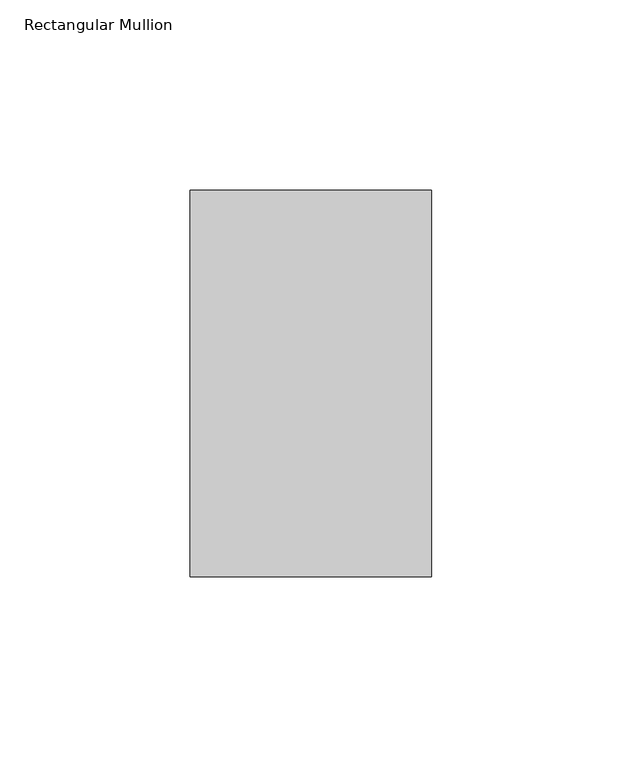
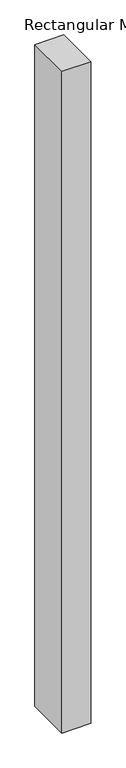
"""IFC4 building model written with IfcOpenShell, lengths in millimetres: member geometry, Rectangular Mullion."""

from ifc_helpers import new_model, si_unit, frame, origin, place, context, project, spatial, polyline, outline, extrude, source, transform, mapped, element, save


def rectangular_mullion_223b0a8e(model_context):
    return source(origin(), model_context, "Body", "SweptSolid", [
        extrude(outline(polyline([(-31.7618723, -50.8), (-31.7618723, 50.8), (31.7618723, 50.8), (31.7618723, -50.8), (-31.7618723, -50.8)])), frame((0.0, 0.0, -1529.5626), z_axis=(0.0, 0.0, 1.0), x_axis=(1.0, 0.0, 0.0)), (0.0, 0.0, 1.0), 1529.5626),
    ])


if __name__ == "__main__":
    model = new_model("IFC4")
    model_context = context("Model", 3, world=origin())
    ifc_project = project(units=[si_unit("LENGTHUNIT", "METRE", prefix="MILLI")], contexts=[model_context])
    site = spatial("IfcSite", under=ifc_project)
    building = spatial("IfcBuilding", under=site)
    placement = place(None, origin())
    rectangular_mullion_shape = rectangular_mullion_223b0a8e(model_context)
    element("IfcMember", 1, ObjectType="Rectangular Mullion", at=placement, inside=building, context=model_context, shape_type="MappedRepresentation", body=[
        mapped(rectangular_mullion_shape, transform((0.0, 0.0, 0.0), x_axis=(1.0, 0.0, 0.0), y_axis=(0.0, 1.0, 0.0), z_axis=(0.0, 0.0, 1.0))),
    ])
    save(model, "model.ifc")
